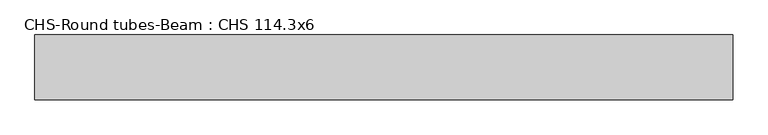
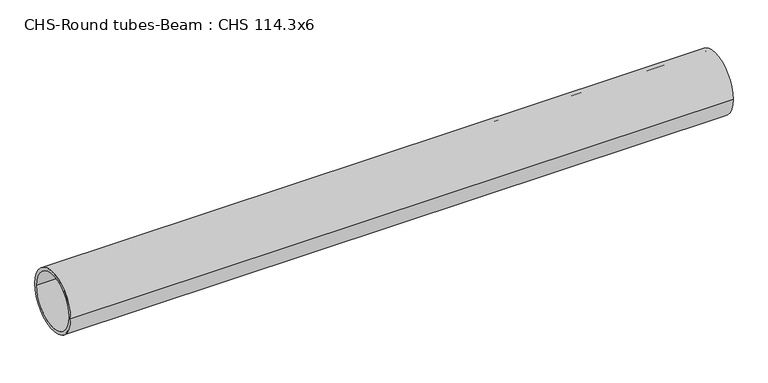
"""IFC4 building model written with IfcOpenShell, lengths in millimetres: beam geometry, CHS-Round tubes-Beam : CHS 114.3x6."""

from ifc_helpers import new_model, si_unit, point, frame, origin, origin_2d, place, context, project, spatial, circle_curve, trimmed, segment, composite_curve, outline, extrude, source, transform, mapped, element, save


def chs_round_tubes_beam_chs_114_3x6_0edb3e19(model_context):
    return source(origin(), model_context, "Body", "SweptSolid", [
        extrude(outline(composite_curve([segment(trimmed(circle_curve(origin_2d(), 57.15), [point((57.15, 0.0))], [point((-57.15, 0.0))], False, "CARTESIAN"), True, "CONTINUOUS"), segment(trimmed(circle_curve(origin_2d(), 57.15), [point((-57.15, 0.0))], [point((57.15, 0.0))], False, "CARTESIAN"), True, "CONTINUOUS")], self_intersect=False), holes=[composite_curve([segment(trimmed(circle_curve(origin_2d(), 51.15), [point((51.15, 0.0))], [point((-51.15, 0.0))], True, "CARTESIAN"), True, "CONTINUOUS"), segment(trimmed(circle_curve(origin_2d(), 51.15), [point((-51.15, 0.0))], [point((51.15, 0.0))], True, "CARTESIAN"), True, "CONTINUOUS")], self_intersect=False)]), frame((-614.8657694, 0.0, 0.0), z_axis=(1.0, 0.0, 0.0), x_axis=(0.0, 1.0, 0.0)), (0.0, 0.0, 1.0), 1229.7384621),
    ])


if __name__ == "__main__":
    model = new_model("IFC4")
    model_context = context("Model", 3, world=origin())
    ifc_project = project(units=[si_unit("LENGTHUNIT", "METRE", prefix="MILLI")], contexts=[model_context])
    site = spatial("IfcSite", under=ifc_project)
    building = spatial("IfcBuilding", under=site)
    placement = place(None, origin())
    chs_round_tubes_beam_chs_114_3x6_shape = chs_round_tubes_beam_chs_114_3x6_0edb3e19(model_context)
    element("IfcBeam", 1, ObjectType="CHS-Round tubes-Beam : CHS 114.3x6", at=placement, inside=building, context=model_context, shape_type="MappedRepresentation", body=[
        mapped(chs_round_tubes_beam_chs_114_3x6_shape, transform((0.0, 0.0, 0.0), x_axis=(1.0, 0.0, 0.0), y_axis=(0.0, 1.0, 0.0), z_axis=(0.0, 0.0, 1.0))),
    ])
    save(model, "model.ifc")
